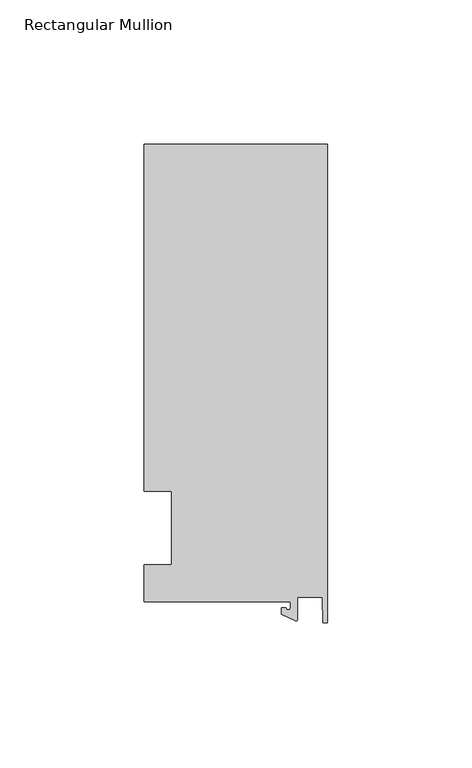
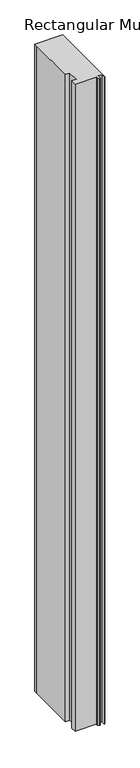
"""IFC4 building model written with IfcOpenShell, lengths in millimetres: member geometry, Rectangular Mullion."""

from ifc_helpers import new_model, si_unit, point, frame, frame_2d, origin, place, context, project, spatial, polyline, circle_curve, trimmed, segment, composite_curve, outline, extrude, source, transform, mapped, element, save


def rectangular_mullion_091123f7(model_context):
    return source(origin(), model_context, "Body", "SweptSolid", [
        extrude(outline(composite_curve([segment(polyline([(-12.8216721, -25.5984375), (-63.5, -25.5984375), (-63.5, -12.7), (-53.975, -12.7), (-53.975, 12.7), (-63.5, 12.7), (-63.5, 125.075512), (-63.5, 132.822512), (0.0, 132.822512), (0.0, -32.810012), (-1.5566453, -32.810012), (-1.7144124, -23.9227662), (-10.4340721, -23.9227662), (-10.4340721, -31.6795354)]), True, "CONTINUOUS"), segment(trimmed(circle_curve(frame_2d((-10.9420721, -31.6795354)), 0.508), [point((-10.4340721, -31.6795354))], [point((-11.1567622, -32.1399398))], False, "CARTESIAN"), True, "CONTINUOUS"), segment(polyline([(-11.1567622, -32.1399398), (-15.9966721, -29.8830527), (-15.9966721, -27.5208534), (-14.4091721, -27.5208534)]), True, "CONTINUOUS"), segment(trimmed(circle_curve(frame_2d((-13.6154221, -27.5208534)), 0.79375), [point((-14.4091721, -27.5208534))], [point((-12.8216721, -27.5208534))], True, "CARTESIAN"), True, "CONTINUOUS"), segment(polyline([(-12.8216721, -27.5208534), (-12.8216721, -25.5984375)]), True, "CONTINUOUS")], self_intersect=False)), frame((0.0, 0.0, -1555.75), z_axis=(0.0, 0.0, 1.0), x_axis=(1.0, 0.0, 0.0)), (0.0, 0.0, 1.0), 1555.75),
    ])


if __name__ == "__main__":
    model = new_model("IFC4")
    model_context = context("Model", 3, world=origin())
    ifc_project = project(units=[si_unit("LENGTHUNIT", "METRE", prefix="MILLI")], contexts=[model_context])
    site = spatial("IfcSite", under=ifc_project)
    building = spatial("IfcBuilding", under=site)
    placement = place(None, origin())
    rectangular_mullion_shape = rectangular_mullion_091123f7(model_context)
    element("IfcMember", 1, ObjectType="Rectangular Mullion", at=placement, inside=building, context=model_context, shape_type="MappedRepresentation", body=[
        mapped(rectangular_mullion_shape, transform((0.0, 0.0, 0.0), x_axis=(1.0, 0.0, 0.0), y_axis=(0.0, 1.0, 0.0), z_axis=(0.0, 0.0, 1.0))),
    ])
    save(model, "model.ifc")
